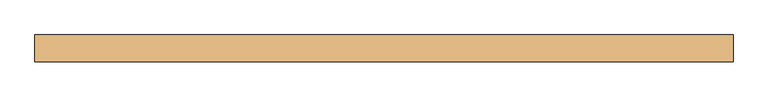
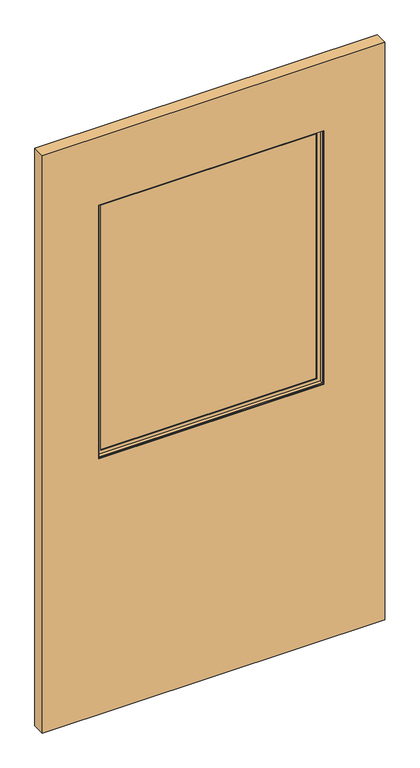
"""IFC4 building model written with IfcOpenShell, lengths in millimetres: door geometry."""

from ifc_helpers import new_model, si_unit, frame, origin, place, context, project, spatial, polyline, outline, extrude, faceted_brep, source, transform, mapped, element, save


def door_90b32a57(model_context):
    return source(origin(), model_context, "Body", "SolidModel", [
        extrude(outline(polyline([(389.6535674, -3.175), (-405.3664326, -3.175), (-405.3664326, 3.175), (389.6535674, 3.175), (389.6535674, -3.175)])), frame((0.0, 0.0, 968.7435027), z_axis=(0.0, 0.0, 1.0), x_axis=(1.0, 0.0, 0.0)), (0.0, 0.0, 1.0), 947.42),
        faceted_brep([(-389.4758536, 3.797467, 1900.2729238), (-389.4758536, 3.797467, 984.6340817), (-389.4758536, 6.9755828, 984.6340817), (-389.4758536, 6.9755828, 1900.2729238), (373.7629885, 3.797467, 984.6340817), (373.7629885, 6.9755828, 984.6340817), (386.4754516, 6.9755828, 971.9216185), (-402.1883168, 6.9755828, 971.9216185), (-402.1883168, 6.9755828, 1912.9853869), (386.4754516, 6.9755828, 1912.9853869), (373.7629885, 6.9755828, 1900.2729238), (373.7629885, 3.797467, 1900.2729238), (-405.3664326, 3.797467, 968.7435027), (389.6535674, 3.797467, 968.7435027), (389.6535674, 3.797467, 1916.1635027), (-405.3664326, 3.797467, 1916.1635027), (-405.3664326, 19.688046, 1916.1635027), (-405.3664326, 19.688046, 968.7435027), (389.6535674, 19.688046, 968.7435027), (389.6535674, 19.688046, 1916.1635027), (-402.1883168, 19.688046, 971.9216185), (386.4754516, 19.688046, 971.9216185), (386.4754516, 19.688046, 1912.9853869), (-402.1883168, 19.688046, 1912.9853869)], [[[0, 1, 2, 3]], [[1, 4, 5, 2]], [[6, 7, 8, 9], [2, 5, 10, 3]], [[4, 11, 10, 5]], [[12, 13, 14, 15], [4, 1, 0, 11]], [[16, 17, 12, 15]], [[17, 18, 13, 12]], [[18, 19, 14, 13]], [[18, 17, 16, 19], [20, 21, 22, 23]], [[8, 7, 20, 23]], [[7, 6, 21, 20]], [[6, 9, 22, 21]], [[11, 0, 3, 10]], [[19, 16, 15, 14]], [[9, 8, 23, 22]]]),
        faceted_brep([(-402.1883168, -19.688046, 1912.9853869), (-402.1883168, -19.688046, 971.9216185), (-402.1883168, -6.9755828, 971.9216185), (-402.1883168, -6.9755828, 1912.9853869), (386.4754516, -19.688046, 971.9216185), (386.4754516, -6.9755828, 971.9216185), (386.4754516, -6.9755828, 1912.9853869), (373.7629885, -6.9755828, 984.6340817), (-389.4758536, -6.9755828, 984.6340817), (-389.4758536, -6.9755828, 1900.2729238), (373.7629885, -6.9755828, 1900.2729238), (386.4754516, -19.688046, 1912.9853869), (-405.3664326, -19.688046, 968.7435027), (389.6535674, -19.688046, 968.7435027), (389.6535674, -19.688046, 1916.1635027), (-405.3664326, -19.688046, 1916.1635027), (-405.3664326, -3.797467, 1916.1635027), (-405.3664326, -3.797467, 968.7435027), (389.6535674, -3.797467, 968.7435027), (389.6535674, -3.797467, 1916.1635027), (-389.4758536, -3.797467, 984.6340817), (373.7629885, -3.797467, 984.6340817), (373.7629885, -3.797467, 1900.2729238), (-389.4758536, -3.797467, 1900.2729238)], [[[0, 1, 2, 3]], [[1, 4, 5, 2]], [[2, 5, 6, 3], [7, 8, 9, 10]], [[4, 11, 6, 5]], [[12, 13, 14, 15], [4, 1, 0, 11]], [[16, 17, 12, 15]], [[17, 18, 13, 12]], [[18, 19, 14, 13]], [[18, 17, 16, 19], [20, 21, 22, 23]], [[9, 8, 20, 23]], [[8, 7, 21, 20]], [[7, 10, 22, 21]], [[11, 0, 3, 6]], [[19, 16, 15, 14]], [[10, 9, 23, 22]]]),
        extrude(outline(polyline([(2170.1635027, -604.7564326), (12.7, -604.7564326), (12.7, 604.7564326), (2170.1635027, 604.7564326), (2170.1635027, -604.7564326)]), holes=[polyline([(1916.1635027, 389.6535674), (968.7435027, 389.6535674), (968.7435027, -405.3664326), (1916.1635027, -405.3664326), (1916.1635027, 389.6535674)])]), frame((0.0, -23.114, 0.0), z_axis=(0.0, 1.0, 0.0), x_axis=(0.0, 0.0, 1.0)), (0.0, 0.0, 1.0), 46.228),
        extrude(outline(polyline([(579.3564326, 9.8925062), (-579.3564326, 9.8925062), (-579.3564326, 11.4927062), (579.3564326, 11.4927062), (579.3564326, 9.8925062)])), frame((0.0, 0.0, 12.7), z_axis=(0.0, 0.0, 1.0), x_axis=(1.0, 0.0, 0.0)), (0.0, 0.0, 1.0), 254.0),
        extrude(outline(polyline([(579.3564326, 21.5634094), (-579.3564326, 21.5634094), (-579.3564326, 23.114), (579.3564326, 23.114), (579.3564326, 21.5634094)])), frame((0.0, 0.0, 12.7), z_axis=(0.0, 0.0, 1.0), x_axis=(1.0, 0.0, 0.0)), (0.0, 0.0, 1.0), 254.0),
    ])


if __name__ == "__main__":
    model = new_model("IFC4")
    model_context = context("Model", 3, world=origin())
    ifc_project = project(units=[si_unit("LENGTHUNIT", "METRE", prefix="MILLI")], contexts=[model_context])
    site = spatial("IfcSite", under=ifc_project)
    building = spatial("IfcBuilding", under=site)
    placement = place(None, origin())
    door_shape = door_90b32a57(model_context)
    element("IfcDoor", 1, at=placement, inside=building, context=model_context, shape_type="MappedRepresentation", body=[
        mapped(door_shape, transform((0.0, 0.0, 0.0), x_axis=(1.0, 0.0, 0.0), y_axis=(0.0, 1.0, 0.0), z_axis=(0.0, 0.0, 1.0))),
    ])
    save(model, "model.ifc")
